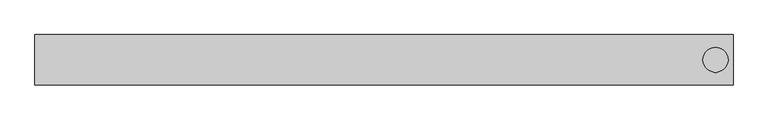
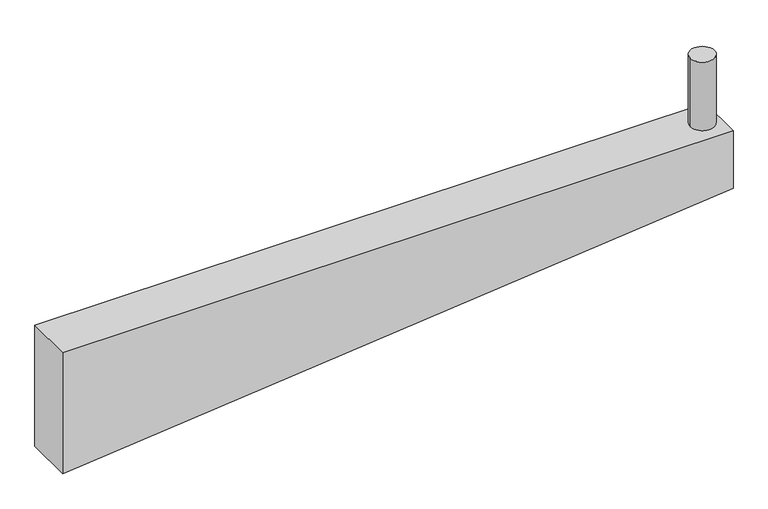
"""IFC4 building model written with IfcOpenShell, lengths in millimetres: beam geometry."""

from ifc_helpers import new_model, si_unit, point, frame, frame_2d, origin, origin_with_axes, place, context, project, spatial, polyline, circle_curve, trimmed, segment, composite_curve, outline, extrude, source, transform, mapped, element, save


def beam_617cf35b(model_context):
    return source(origin(), model_context, "Body", "SweptSolid", [
        extrude(outline(composite_curve([segment(trimmed(circle_curve(frame_2d((1320.0, 0.0)), 50.0), [point((1270.0, 0.0))], [point((1370.0, 0.0))], False, "CARTESIAN"), True, "CONTINUOUS"), segment(trimmed(circle_curve(frame_2d((1320.0, 0.0)), 50.0), [point((1370.0, 0.0))], [point((1270.0, 0.0))], False, "CARTESIAN"), True, "CONTINUOUS")], self_intersect=False)), origin_with_axes(), (0.0, 0.0, 1.0), 300.0),
        extrude(outline(polyline([(-250.0, 1390.0), (0.0, 1390.0), (0.0, -1390.0), (-530.0, -1390.0), (-250.0, 1390.0)])), frame((0.0, -100.0, 0.0), z_axis=(0.0, 1.0, 0.0), x_axis=(0.0, 0.0, 1.0)), (0.0, 0.0, 1.0), 200.0),
    ])


if __name__ == "__main__":
    model = new_model("IFC4")
    model_context = context("Model", 3, world=origin())
    ifc_project = project(units=[si_unit("LENGTHUNIT", "METRE", prefix="MILLI")], contexts=[model_context])
    site = spatial("IfcSite", under=ifc_project)
    building = spatial("IfcBuilding", under=site)
    placement = place(None, origin())
    beam_shape = beam_617cf35b(model_context)
    element("IfcBeam", 1, at=placement, inside=building, context=model_context, shape_type="MappedRepresentation", body=[
        mapped(beam_shape, transform((0.0, 0.0, 0.0), x_axis=(1.0, 0.0, 0.0), y_axis=(0.0, 1.0, 0.0), z_axis=(0.0, 0.0, 1.0))),
    ])
    save(model, "model.ifc")
